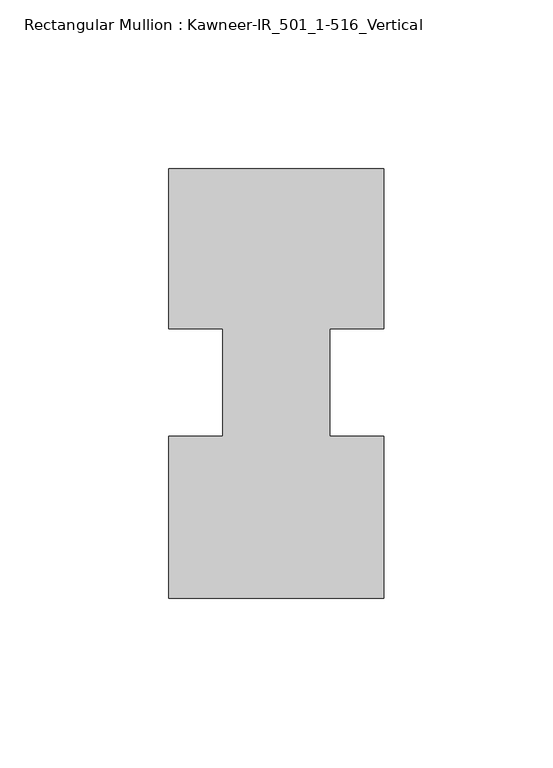
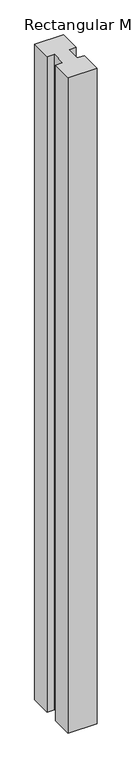
"""IFC4 building model written with IfcOpenShell, lengths in millimetres: member geometry, Rectangular Mullion : Kawneer-IR_501_1-516_Vertical."""

from ifc_helpers import new_model, si_unit, frame, origin, place, context, project, spatial, polyline, outline, extrude, source, transform, mapped, element, save


def rectangular_mullion_kawneer_ir_501_1_516_vertical_1ba15754(model_context):
    return source(origin(), model_context, "Body", "SweptSolid", [
        extrude(outline(polyline([(36.0844027, -39.6875), (-27.4155973, -39.6875), (-27.4155973, 8.2205388), (-11.5405973, 8.2205388), (-11.5405973, 39.9705388), (-27.4155973, 39.9705388), (-27.4155973, 87.3125), (36.0844027, 87.3125), (36.0844027, 39.9705388), (20.2221027, 39.9705388), (20.2221027, 8.2205388), (36.0844027, 8.2205388), (36.0844027, -39.6875)])), frame((0.0, 0.0, -1524.0), z_axis=(0.0, 0.0, 1.0), x_axis=(1.0, 0.0, 0.0)), (0.0, 0.0, 1.0), 1524.0),
    ])


if __name__ == "__main__":
    model = new_model("IFC4")
    model_context = context("Model", 3, world=origin())
    ifc_project = project(units=[si_unit("LENGTHUNIT", "METRE", prefix="MILLI")], contexts=[model_context])
    site = spatial("IfcSite", under=ifc_project)
    building = spatial("IfcBuilding", under=site)
    placement = place(None, origin())
    rectangular_mullion_kawneer_ir_501_1_516_vertical_shape = rectangular_mullion_kawneer_ir_501_1_516_vertical_1ba15754(model_context)
    element("IfcMember", 1, ObjectType="Rectangular Mullion : Kawneer-IR_501_1-516_Vertical", at=placement, inside=building, context=model_context, shape_type="MappedRepresentation", body=[
        mapped(rectangular_mullion_kawneer_ir_501_1_516_vertical_shape, transform((0.0, 0.0, 0.0), x_axis=(1.0, 0.0, 0.0), y_axis=(0.0, 1.0, 0.0), z_axis=(0.0, 0.0, 1.0))),
    ])
    save(model, "model.ifc")
